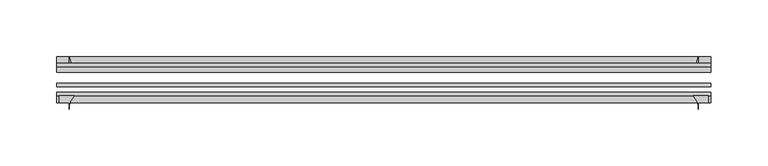
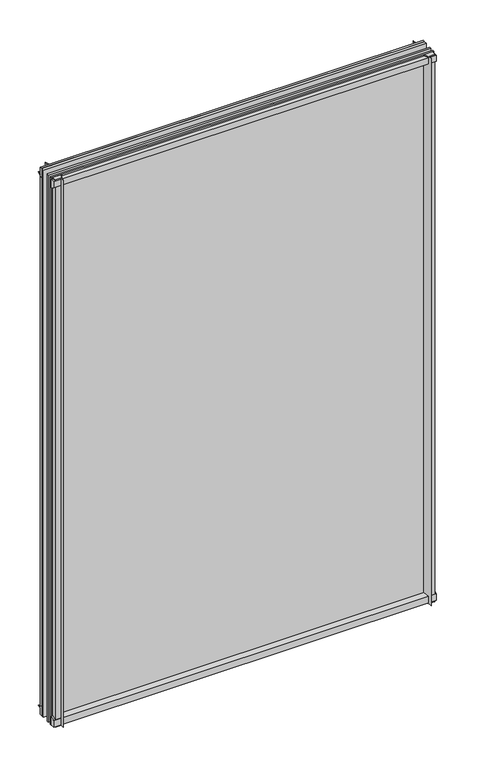
"""IFC4 building model written with IfcOpenShell, lengths in millimetres: plate geometry."""

from ifc_helpers import new_model, si_unit, point, frame, frame_2d, origin, place, context, project, spatial, polyline, circle_curve, trimmed, segment, composite_curve, outline, extrude, source, transform, mapped, element, save


def plate_8e7a4068(model_context):
    return source(origin(), model_context, "Body", "SweptSolid", [
        extrude(outline(composite_curve([segment(polyline([(-42.891075, -11.1125), (-42.891075, 3.8539528)]), True, "CONTINUOUS"), segment(trimmed(circle_curve(frame_2d((-26.637892, 29.5913262)), 30.4397495), [point((-42.891075, 3.8539528))], [point((-33.7745413, 0.0))], True, "CARTESIAN"), True, "CONTINUOUS"), segment(polyline([(-33.7745413, 0.0), (-39.690675, 0.0), (-39.690675, -11.1125), (-42.891075, -11.1125)]), True, "CONTINUOUS")], self_intersect=False)), frame((-289.71875, 0.0, 0.0), z_axis=(1.0, 0.0, 0.0), x_axis=(0.0, 1.0, 0.0)), (0.0, 0.0, 1.0), 579.4375),
        extrude(outline(composite_curve([segment(trimmed(circle_curve(frame_2d((-80.4922797, 17.8701603)), 18.6769817), [point((-74.641075, 0.1333891))], [point((-68.291075, 3.72943))], True, "CARTESIAN"), True, "CONTINUOUS"), segment(polyline([(-68.291075, 3.72943), (-68.291075, -10.3251), (-74.641075, -10.3251), (-74.641075, 0.1333891)]), True, "CONTINUOUS")], self_intersect=False)), frame((-289.71875, 0.0, 0.0), z_axis=(1.0, 0.0, 0.0), x_axis=(0.0, 1.0, 0.0)), (0.0, 0.0, 1.0), 579.4375),
        extrude(outline(composite_curve([segment(polyline([(-42.891075, 850.2083472), (-42.891075, 865.1875), (-39.690675, 865.1875), (-39.690675, 854.075), (-33.721675, 854.075)]), True, "CONTINUOUS"), segment(trimmed(circle_curve(frame_2d((-26.637892, 824.4709738)), 30.4397495), [point((-33.721675, 854.075))], [point((-42.891075, 850.2083472))], True, "CARTESIAN"), True, "CONTINUOUS")], self_intersect=False)), frame((-289.71875, 0.0, 0.0), z_axis=(1.0, 0.0, 0.0), x_axis=(0.0, 1.0, 0.0)), (0.0, 0.0, 1.0), 579.4375),
        extrude(outline(composite_curve([segment(polyline([(-68.291075, 862.8126), (-68.291075, 849.53912)]), True, "CONTINUOUS"), segment(trimmed(circle_curve(frame_2d((-80.4922797, 835.3983897)), 18.6769817), [point((-68.291075, 849.53912))], [point((-74.641075, 853.1351609))], True, "CARTESIAN"), True, "CONTINUOUS"), segment(polyline([(-74.641075, 853.1351609), (-74.641075, 862.8126), (-68.291075, 862.8126)]), True, "CONTINUOUS")], self_intersect=False)), frame((-289.71875, 0.0, 0.0), z_axis=(1.0, 0.0, 0.0), x_axis=(0.0, 1.0, 0.0)), (0.0, 0.0, 1.0), 579.4375),
        extrude(outline(composite_curve([segment(polyline([(274.07037, -68.291075), (287.34385, -68.291075), (287.34385, -74.641075), (278.60625, -74.641075), (278.60625, -80.3744844)]), True, "CONTINUOUS"), segment(trimmed(circle_curve(frame_2d((259.9296397, -80.4922797)), 18.6769817), [point((278.60625, -80.3744844))], [point((274.07037, -68.291075))], True, "CARTESIAN"), True, "CONTINUOUS")], self_intersect=False)), frame((0.0, 0.0, -11.1125), z_axis=(0.0, 0.0, 1.0), x_axis=(1.0, 0.0, 0.0)), (0.0, 0.0, 1.0), 876.3),
        extrude(outline(composite_curve([segment(trimmed(circle_curve(frame_2d((249.0022238, -26.637892)), 30.4397495), [point((274.7395972, -42.891075))], [point((278.60625, -33.721675))], True, "CARTESIAN"), True, "CONTINUOUS"), segment(polyline([(278.60625, -33.721675), (278.60625, -39.690675), (289.71875, -39.690675), (289.71875, -42.891075), (274.7395972, -42.891075)]), True, "CONTINUOUS")], self_intersect=False)), frame((0.0, 0.0, -11.1125), z_axis=(0.0, 0.0, 1.0), x_axis=(1.0, 0.0, 0.0)), (0.0, 0.0, 1.0), 876.3),
        extrude(outline(composite_curve([segment(trimmed(circle_curve(frame_2d((-259.9296397, -80.4922797)), 18.6769817), [point((-274.07037, -68.291075))], [point((-278.60625, -80.3744844))], True, "CARTESIAN"), True, "CONTINUOUS"), segment(polyline([(-278.60625, -80.3744844), (-278.60625, -74.641075), (-287.34385, -74.641075), (-287.34385, -68.291075), (-274.07037, -68.291075)]), True, "CONTINUOUS")], self_intersect=False)), frame((0.0, 0.0, -11.1125), z_axis=(0.0, 0.0, 1.0), x_axis=(1.0, 0.0, 0.0)), (0.0, 0.0, 1.0), 876.3),
        extrude(outline(composite_curve([segment(polyline([(-274.7395972, -42.891075), (-289.71875, -42.891075), (-289.71875, -39.690675), (-278.60625, -39.690675), (-278.60625, -33.721675)]), True, "CONTINUOUS"), segment(trimmed(circle_curve(frame_2d((-249.0022238, -26.637892)), 30.4397495), [point((-278.60625, -33.721675))], [point((-274.7395972, -42.891075))], True, "CARTESIAN"), True, "CONTINUOUS")], self_intersect=False)), frame((0.0, 0.0, -11.1125), z_axis=(0.0, 0.0, 1.0), x_axis=(1.0, 0.0, 0.0)), (0.0, 0.0, 1.0), 876.3),
        extrude(outline(polyline([(-289.71875, -42.891075), (289.71875, -42.891075), (289.71875, -47.653575), (-289.71875, -47.653575), (-289.71875, -42.891075)])), frame((0.0, 0.0, -11.1125), z_axis=(0.0, 0.0, 1.0), x_axis=(1.0, 0.0, 0.0)), (0.0, 0.0, 1.0), 876.3),
        extrude(outline(polyline([(289.71875, -57.369075), (289.71875, -60.544075), (-289.71875, -60.544075), (-289.71875, -57.369075), (289.71875, -57.369075)])), frame((0.0, 0.0, -11.1125), z_axis=(0.0, 0.0, 1.0), x_axis=(1.0, 0.0, 0.0)), (0.0, 0.0, 1.0), 876.3),
        extrude(outline(polyline([(-289.71875, -65.116075), (289.71875, -65.116075), (289.71875, -68.291075), (-289.71875, -68.291075), (-289.71875, -65.116075)])), frame((0.0, 0.0, -11.1125), z_axis=(0.0, 0.0, 1.0), x_axis=(1.0, 0.0, 0.0)), (0.0, 0.0, 1.0), 876.3),
    ])


if __name__ == "__main__":
    model = new_model("IFC4")
    model_context = context("Model", 3, world=origin())
    ifc_project = project(units=[si_unit("LENGTHUNIT", "METRE", prefix="MILLI")], contexts=[model_context])
    site = spatial("IfcSite", under=ifc_project)
    building = spatial("IfcBuilding", under=site)
    placement = place(None, origin())
    plate_shape = plate_8e7a4068(model_context)
    element("IfcPlate", 1, at=placement, inside=building, context=model_context, shape_type="MappedRepresentation", body=[
        mapped(plate_shape, transform((0.0, 0.0, 0.0), x_axis=(1.0, 0.0, 0.0), y_axis=(0.0, 1.0, 0.0), z_axis=(0.0, 0.0, 1.0))),
    ])
    save(model, "model.ifc")
